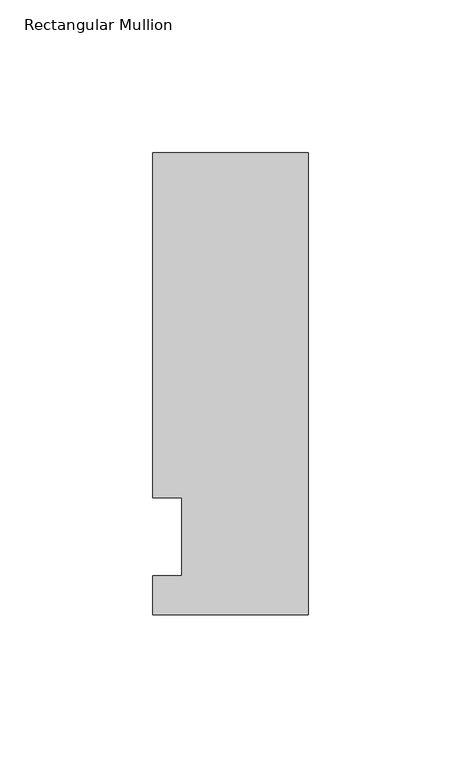
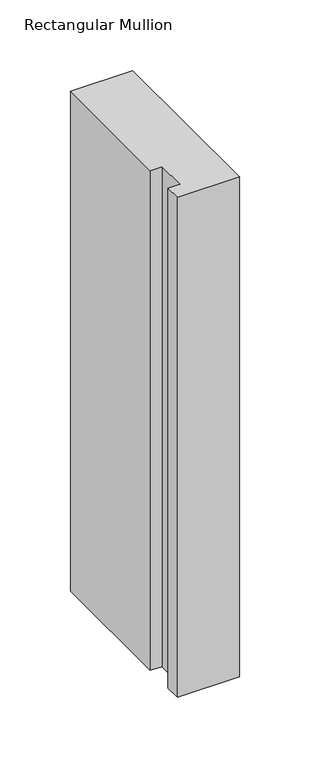
"""IFC4 building model written with IfcOpenShell, lengths in millimetres: member geometry, Rectangular Mullion."""

from ifc_helpers import new_model, si_unit, frame, origin, place, context, project, spatial, polyline, outline, extrude, source, transform, mapped, element, save


def rectangular_mullion_1395e965(model_context):
    return source(origin(), model_context, "Body", "SweptSolid", [
        extrude(outline(polyline([(-50.8, -25.5984375), (-50.8, -12.7), (-41.275, -12.7), (-41.275, 12.7), (-50.8, 12.7), (-50.8, 125.6109375), (0.0, 125.6109375), (0.0, -25.5984375), (-50.8, -25.5984375)])), frame((0.0, 0.0, -431.8), z_axis=(0.0, 0.0, 1.0), x_axis=(1.0, 0.0, 0.0)), (0.0, 0.0, 1.0), 431.8),
    ])


if __name__ == "__main__":
    model = new_model("IFC4")
    model_context = context("Model", 3, world=origin())
    ifc_project = project(units=[si_unit("LENGTHUNIT", "METRE", prefix="MILLI")], contexts=[model_context])
    site = spatial("IfcSite", under=ifc_project)
    building = spatial("IfcBuilding", under=site)
    placement = place(None, origin())
    rectangular_mullion_shape = rectangular_mullion_1395e965(model_context)
    element("IfcMember", 1, ObjectType="Rectangular Mullion", at=placement, inside=building, context=model_context, shape_type="MappedRepresentation", body=[
        mapped(rectangular_mullion_shape, transform((0.0, 0.0, 0.0), x_axis=(1.0, 0.0, 0.0), y_axis=(0.0, 1.0, 0.0), z_axis=(0.0, 0.0, 1.0))),
    ])
    save(model, "model.ifc")
